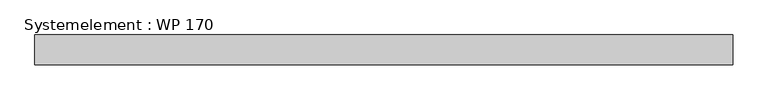
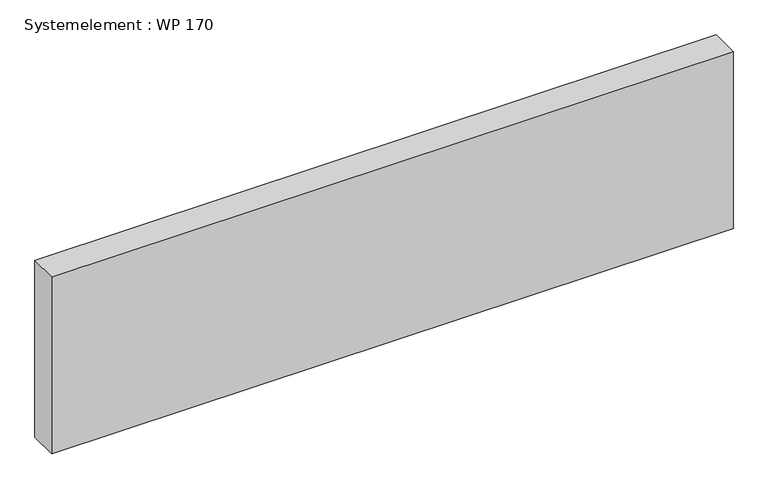
"""IFC4 building model written with IfcOpenShell, lengths in millimetres: plate geometry, Systemelement : WP 170."""

from ifc_helpers import new_model, si_unit, origin, origin_with_axes, place, context, project, spatial, polyline, outline, extrude, source, transform, mapped, element, save


def systemelement_wp_170_cf511b81(model_context):
    return source(origin(), model_context, "Body", "SweptSolid", [
        extrude(outline(polyline([(2000.0, -170.0), (-2000.0, -170.0), (-2000.0, 0.0), (2000.0, 0.0), (2000.0, -170.0)])), origin_with_axes(), (0.0, 0.0, 1.0), 1100.0),
    ])


if __name__ == "__main__":
    model = new_model("IFC4")
    model_context = context("Model", 3, world=origin())
    ifc_project = project(units=[si_unit("LENGTHUNIT", "METRE", prefix="MILLI")], contexts=[model_context])
    site = spatial("IfcSite", under=ifc_project)
    building = spatial("IfcBuilding", under=site)
    placement = place(None, origin())
    systemelement_wp_170_shape = systemelement_wp_170_cf511b81(model_context)
    element("IfcPlate", 1, ObjectType="Systemelement : WP 170", at=placement, inside=building, context=model_context, shape_type="MappedRepresentation", body=[
        mapped(systemelement_wp_170_shape, transform((0.0, 0.0, 0.0), x_axis=(1.0, 0.0, 0.0), y_axis=(0.0, 1.0, 0.0), z_axis=(0.0, 0.0, 1.0))),
    ])
    save(model, "model.ifc")
